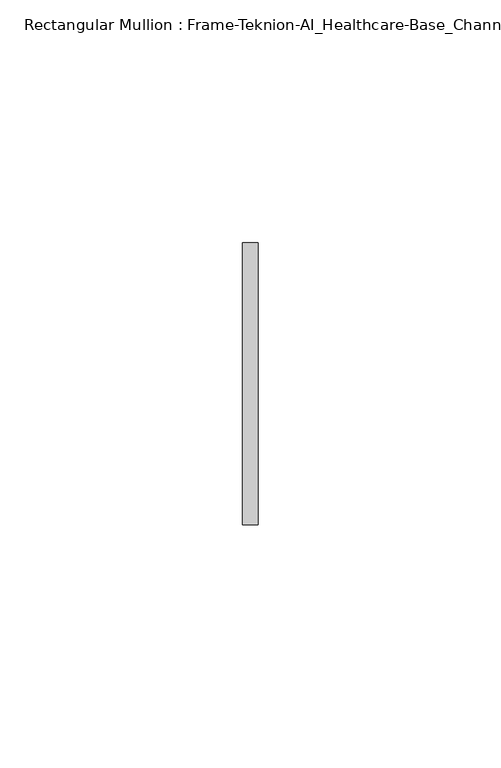
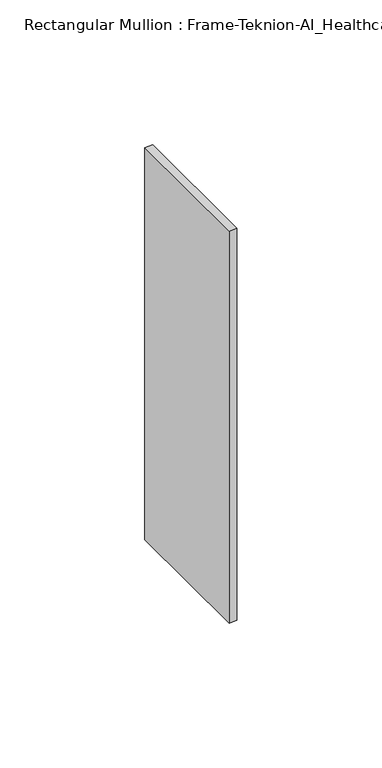
"""IFC4 building model written with IfcOpenShell, lengths in millimetres: member geometry, Rectangular Mullion : Frame-Teknion-AI_Healthcare-Base_Channel."""

from ifc_helpers import new_model, si_unit, frame, origin, place, context, project, spatial, polyline, outline, extrude, source, transform, mapped, element, save


def rectangular_mullion_frame_teknion_ai_healthcare_base_channel_aef67919(model_context):
    return source(origin(), model_context, "Body", "SweptSolid", [
        extrude(outline(polyline([(0.0, 29.0214844), (0.0, -29.0214844), (-3.175, -29.0214844), (-3.175, 29.0214844), (0.0, 29.0214844)])), frame((0.0, 0.0, -165.1), z_axis=(0.0, 0.0, 1.0), x_axis=(1.0, 0.0, 0.0)), (0.0, 0.0, 1.0), 165.1),
    ])


if __name__ == "__main__":
    model = new_model("IFC4")
    model_context = context("Model", 3, world=origin())
    ifc_project = project(units=[si_unit("LENGTHUNIT", "METRE", prefix="MILLI")], contexts=[model_context])
    site = spatial("IfcSite", under=ifc_project)
    building = spatial("IfcBuilding", under=site)
    placement = place(None, origin())
    rectangular_mullion_frame_teknion_ai_healthcare_base_channel_shape = rectangular_mullion_frame_teknion_ai_healthcare_base_channel_aef67919(model_context)
    element("IfcMember", 1, ObjectType="Rectangular Mullion : Frame-Teknion-AI_Healthcare-Base_Channel", at=placement, inside=building, context=model_context, shape_type="MappedRepresentation", body=[
        mapped(rectangular_mullion_frame_teknion_ai_healthcare_base_channel_shape, transform((0.0, 0.0, 0.0), x_axis=(1.0, 0.0, 0.0), y_axis=(0.0, 1.0, 0.0), z_axis=(0.0, 0.0, 1.0))),
    ])
    save(model, "model.ifc")
